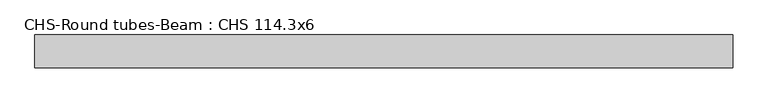
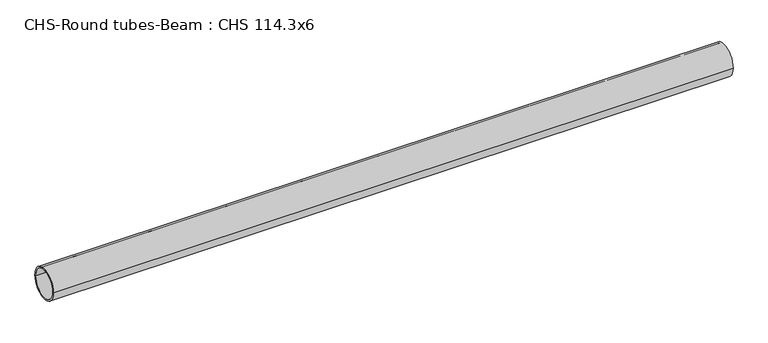
"""IFC4 building model written with IfcOpenShell, lengths in millimetres: beam geometry, CHS-Round tubes-Beam : CHS 114.3x6."""

import ifcopenshell
import ifcopenshell.guid

model = None  # the IFC model being written
_history = None  # IfcOwnerHistory: only IFC2X3 demands one
_inside = {}  # id of a spatial element -> (the spatial element, [elements in it])
_under = {}  # id of a project, library or spatial element -> (it, [spatial elements below it])
_declared = {}  # id of a project -> (the project, [libraries it declares])
_typed = {}  # id of a type object -> (the type object, [elements of that type])
_made_of = {}  # id of a material, layer set ... -> (it, [elements and type objects made of it])


def new_model(schema):
    """Start an empty IFC model of exactly this schema.

    Asked for "IFC4X3", IfcOpenShell would pick the latest addendum, in which some entities
    have other attributes; the version numbers below select the first issue.
    IFC2X3 requires an IfcOwnerHistory on every rooted entity: one is made here for all.
    """
    global model, _history
    if schema == "IFC4X3":
        model = ifcopenshell.file(schema_version=(4, 3, 0, 0))
    else:
        model = ifcopenshell.file(schema=schema)
    _inside.clear()
    _under.clear()
    _declared.clear()
    _typed.clear()
    _made_of.clear()
    _history = None
    if model.schema == "IFC2X3":
        org = make("IfcOrganization", Name="unknown")
        user = make(
            "IfcPersonAndOrganization",
            ThePerson=make("IfcPerson", FamilyName="unknown"),
            TheOrganization=org,
        )
        app = make(
            "IfcApplication",
            ApplicationDeveloper=org,
            Version="unknown",
            ApplicationFullName="unknown",
            ApplicationIdentifier="unknown",
        )
        _history = make(
            "IfcOwnerHistory",
            OwningUser=user,
            OwningApplication=app,
            ChangeAction="ADDED",
            CreationDate=0,
        )
    return model


def make(cls, **values):
    """One entity of the class cls with the attributes given. An attribute that is None is left unset."""
    return model.create_entity(
        cls, **{name: value for name, value in values.items() if value is not None}
    )


def rooted(cls, **values):
    """An entity with a GlobalId (a new one), such as an element, a storey or a relation."""
    return make(cls, GlobalId=ifcopenshell.guid.new(), OwnerHistory=_history, **values)


def si_unit(unit_type, name, prefix=None):
    """IfcSIUnit, for example si_unit("LENGTHUNIT", "METRE", prefix="MILLI")."""
    return make("IfcSIUnit", UnitType=unit_type, Prefix=prefix, Name=name)


def assignment(units):
    """IfcUnitAssignment: the units of a project."""
    return None if units is None else make("IfcUnitAssignment", Units=units)


def point(xyz):
    """IfcCartesianPoint."""
    return None if xyz is None else make("IfcCartesianPoint", Coordinates=xyz)


def direction(xyz):
    """IfcDirection."""
    return None if xyz is None else make("IfcDirection", DirectionRatios=xyz)


def frame(location, z_axis=None, x_axis=None):
    """IfcAxis2Placement3D, a coordinate frame: its origin and axes. An axis left out is left unset."""
    return make(
        "IfcAxis2Placement3D",
        Location=point(location),
        Axis=direction(z_axis),
        RefDirection=direction(x_axis),
    )


def frame_2d(location, x_axis=None):
    """IfcAxis2Placement2D, a coordinate frame in the plane: its origin and x axis."""
    return make(
        "IfcAxis2Placement2D", Location=point(location), RefDirection=direction(x_axis)
    )


def origin():
    """The frame at (0, 0, 0) with its axes left unset."""
    return frame((0.0, 0.0, 0.0))


def origin_2d():
    """The frame at (0, 0) in the plane with its x axis left unset."""
    return frame_2d((0.0, 0.0))


def place(relative_to, where):
    """IfcLocalPlacement: puts the frame where relative to a parent placement (None: the world)."""
    return make(
        "IfcLocalPlacement", PlacementRelTo=relative_to, RelativePlacement=where
    )


def context(
    kind, dimensions, precision=None, world=None, true_north=None, identifier=None
):
    """IfcGeometricRepresentationContext, for example the 3D "Model" context."""
    return make(
        "IfcGeometricRepresentationContext",
        ContextIdentifier=identifier,
        ContextType=kind,
        CoordinateSpaceDimension=dimensions,
        Precision=precision,
        WorldCoordinateSystem=world,
        TrueNorth=true_north,
    )


def project(units=None, contexts=None):
    """IfcProject with its units and contexts."""
    return rooted(
        "IfcProject",
        Name="project",
        RepresentationContexts=contexts,
        UnitsInContext=assignment(units),
    )


def spatial(cls, under=None, at=None, **own):
    """A site, building, storey or space (cls), placed at a placement, below another one or the project."""
    s = rooted(cls, ObjectPlacement=at, **own)
    if under is not None:
        _under.setdefault(under.id(), (under, []))[1].append(s)
    return s


def circle_curve(where, radius):
    """IfcCircle in the frame where."""
    return make("IfcCircle", Position=where, Radius=radius)


def trimmed(basis, trim1, trim2, sense, master):
    """IfcTrimmedCurve: the piece of a basis curve between two trims."""
    return make(
        "IfcTrimmedCurve",
        BasisCurve=basis,
        Trim1=trim1,
        Trim2=trim2,
        SenseAgreement=sense,
        MasterRepresentation=master,
    )


def segment(curve, same_sense, transition):
    """IfcCompositeCurveSegment."""
    return make(
        "IfcCompositeCurveSegment",
        Transition=transition,
        SameSense=same_sense,
        ParentCurve=curve,
    )


def composite_curve(segments, self_intersect=None):
    """IfcCompositeCurve: segments joined end to end."""
    return make("IfcCompositeCurve", Segments=segments, SelfIntersect=self_intersect)


def outline(outer, holes=None, kind="AREA"):
    """IfcArbitraryClosedProfileDef: a profile drawn as a closed curve; with holes, ...WithVoids."""
    if holes is None:
        return make("IfcArbitraryClosedProfileDef", ProfileType=kind, OuterCurve=outer)
    return make(
        "IfcArbitraryProfileDefWithVoids",
        ProfileType=kind,
        OuterCurve=outer,
        InnerCurves=holes,
    )


def extrude(swept, where, along, depth):
    """IfcExtrudedAreaSolid: the profile swept, set in the frame where, extruded along a direction by depth."""
    return make(
        "IfcExtrudedAreaSolid",
        SweptArea=swept,
        Position=where,
        ExtrudedDirection=direction(along),
        Depth=depth,
    )


def shape(context_of_items, identifier, shape_type, items):
    """IfcShapeRepresentation: the items that make up one representation, for example the "Body"."""
    return make(
        "IfcShapeRepresentation",
        ContextOfItems=context_of_items,
        RepresentationIdentifier=identifier,
        RepresentationType=shape_type,
        Items=items,
    )


def source(mapping_origin, context_of_items, identifier, shape_type, items):
    """IfcRepresentationMap: a shape defined once, which mapped items show again and again."""
    return make(
        "IfcRepresentationMap",
        MappingOrigin=mapping_origin,
        MappedRepresentation=shape(context_of_items, identifier, shape_type, items),
    )


def transform(
    local_origin,
    x_axis=None,
    y_axis=None,
    z_axis=None,
    scale=None,
    scale2=None,
    scale3=None,
    uniform=True,
):
    """IfcCartesianTransformationOperator3D, or its non-uniform kind. x_axis, y_axis, z_axis: its Axis1, 2, 3."""
    if uniform:
        return make(
            "IfcCartesianTransformationOperator3D",
            Axis1=direction(x_axis),
            Axis2=direction(y_axis),
            LocalOrigin=point(local_origin),
            Scale=scale,
            Axis3=direction(z_axis),
        )
    return make(
        "IfcCartesianTransformationOperator3DnonUniform",
        Axis1=direction(x_axis),
        Axis2=direction(y_axis),
        LocalOrigin=point(local_origin),
        Scale=scale,
        Axis3=direction(z_axis),
        Scale2=scale2,
        Scale3=scale3,
    )


def mapped(mapping_source, mapping_target):
    """IfcMappedItem: shows the shape of a source again, moved by a transform."""
    return make(
        "IfcMappedItem", MappingSource=mapping_source, MappingTarget=mapping_target
    )


def made_of(thing, what):
    """Note that an element or type object is made of a material, layer set ...; save() writes the relation."""
    if what is not None:
        _made_of.setdefault(what.id(), (what, []))[1].append(thing)
    return thing


def element(
    cls,
    number,
    at=None,
    inside=None,
    cuts=None,
    type_object=None,
    material=None,
    context=None,
    identifier="Body",
    shape_type=None,
    held_by="IfcProductDefinitionShape",
    body=None,
    shapes=None,
    **own,
):
    """One element of the class cls, such as IfcWall. Its Tag is "e" and its number.

    at: its placement. inside: the storey or other place that contains it. cuts: it is an
    opening in that element (IfcRelVoidsElement). A single representation is given by context,
    identifier, shape_type and body (its items); several are given by shapes. held_by: the class
    of the entity that holds the representations. save() writes the other relations.
    """
    e = rooted(cls, Tag="e%d" % number, ObjectPlacement=at, **own)
    if body is not None:
        shapes = [shape(context, identifier, shape_type, body)]
    if shapes is not None:
        e.Representation = make(held_by, Representations=shapes)
    if inside is not None:
        _inside.setdefault(inside.id(), (inside, []))[1].append(e)
    if cuts is not None:
        rooted(
            "IfcRelVoidsElement", RelatingBuildingElement=cuts, RelatedOpeningElement=e
        )
    if type_object is not None:
        _typed.setdefault(type_object.id(), (type_object, []))[1].append(e)
    return made_of(e, material)


def aggregate(whole, parts):
    """IfcRelAggregates: a whole, such as a stair, and the parts it consists of."""
    return rooted("IfcRelAggregates", RelatingObject=whole, RelatedObjects=parts)


def save(model, path):
    """Write the relations noted so far, then the file.

    IfcRelAggregates (storeys below a building ...), IfcRelContainedInSpatialStructure (elements
    in a storey), IfcRelDefinesByType, IfcRelAssociatesMaterial and IfcRelDeclares: one each for
    every whole, place, type object, material and project.
    """
    for whole, parts in _under.values():
        aggregate(whole, parts)
    for where, things in _inside.values():
        rooted(
            "IfcRelContainedInSpatialStructure",
            RelatedElements=things,
            RelatingStructure=where,
        )
    for kind, things in _typed.values():
        rooted("IfcRelDefinesByType", RelatedObjects=things, RelatingType=kind)
    for what, things in _made_of.values():
        rooted("IfcRelAssociatesMaterial", RelatedObjects=things, RelatingMaterial=what)
    for by, libraries in _declared.values():
        rooted("IfcRelDeclares", RelatingContext=by, RelatedDefinitions=libraries)
    model.write(path)


def chs_round_tubes_beam_chs_114_3x6_d45463f5(model_context):
    return source(origin(), model_context, "Body", "SweptSolid", [
        extrude(outline(composite_curve([segment(trimmed(circle_curve(origin_2d(), 57.15), [point((57.15, 0.0))], [point((-57.15, 0.0))], False, "CARTESIAN"), True, "CONTINUOUS"), segment(trimmed(circle_curve(origin_2d(), 57.15), [point((-57.15, 0.0))], [point((57.15, 0.0))], False, "CARTESIAN"), True, "CONTINUOUS")], self_intersect=False), holes=[composite_curve([segment(trimmed(circle_curve(origin_2d(), 51.15), [point((51.15, 0.0))], [point((-51.15, 0.0))], True, "CARTESIAN"), True, "CONTINUOUS"), segment(trimmed(circle_curve(origin_2d(), 51.15), [point((-51.15, 0.0))], [point((51.15, 0.0))], True, "CARTESIAN"), True, "CONTINUOUS")], self_intersect=False)]), frame((-1160.0036997, 0.0, 0.0), z_axis=(1.0, 0.0, 0.0), x_axis=(0.0, 1.0, 0.0)), (0.0, 0.0, 1.0), 2438.9576373),
    ])


if __name__ == "__main__":
    model = new_model("IFC4")
    model_context = context("Model", 3, world=origin())
    ifc_project = project(units=[si_unit("LENGTHUNIT", "METRE", prefix="MILLI")], contexts=[model_context])
    site = spatial("IfcSite", under=ifc_project)
    building = spatial("IfcBuilding", under=site)
    placement = place(None, origin())
    chs_round_tubes_beam_chs_114_3x6_shape = chs_round_tubes_beam_chs_114_3x6_d45463f5(model_context)
    element("IfcBeam", 1, ObjectType="CHS-Round tubes-Beam : CHS 114.3x6", at=placement, inside=building, context=model_context, shape_type="MappedRepresentation", body=[
        mapped(chs_round_tubes_beam_chs_114_3x6_shape, transform((0.0, 0.0, 0.0), x_axis=(1.0, 0.0, 0.0), y_axis=(0.0, 1.0, 0.0), z_axis=(0.0, 0.0, 1.0))),
    ])
    save(model, "model.ifc")
